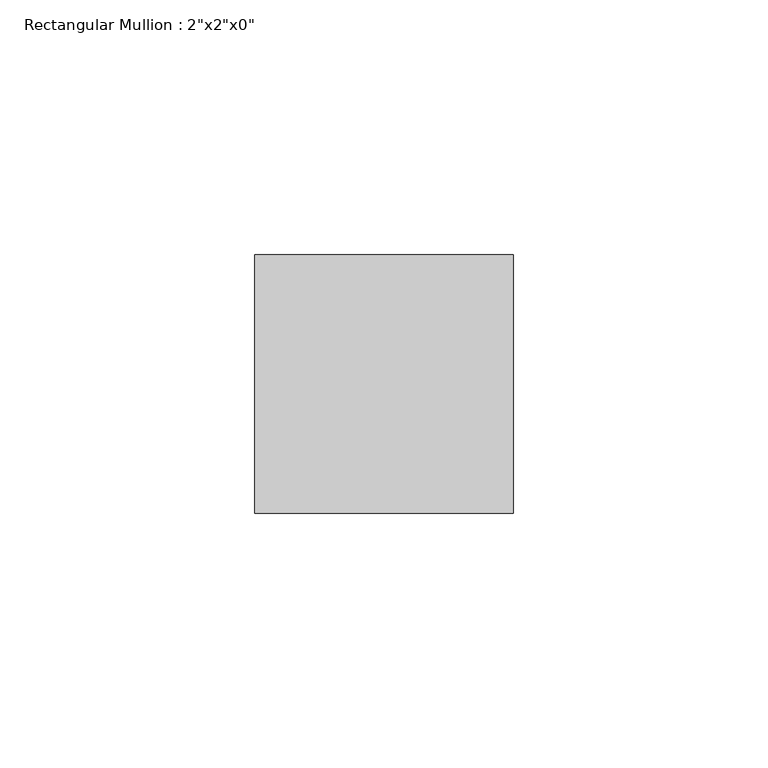
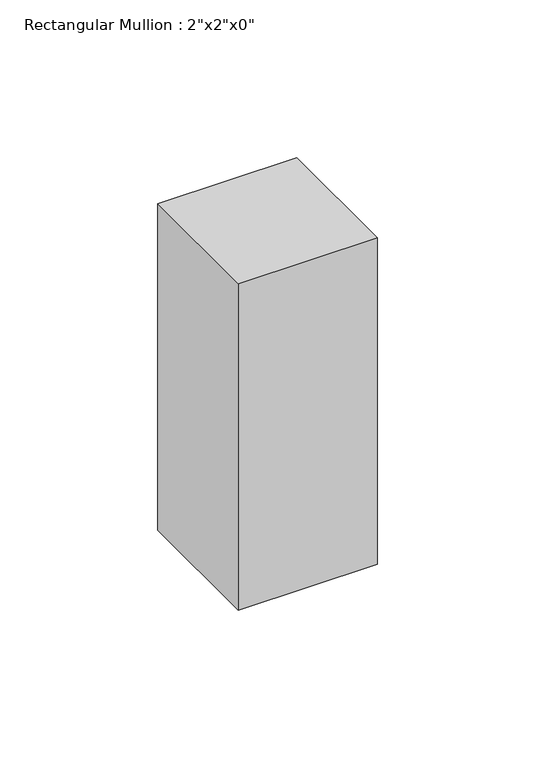
"""IFC4 building model written with IfcOpenShell, lengths in millimetres: member geometry."""

from ifc_helpers import new_model, si_unit, frame, origin, place, context, project, spatial, polyline, outline, extrude, source, transform, mapped, element, save


def member_91169b78(model_context):
    return source(origin(), model_context, "Body", "SweptSolid", [
        extrude(outline(polyline([(0.0, 25.4), (0.0, -25.4), (-50.8, -25.4), (-50.8, 25.4), (0.0, 25.4)])), frame((0.0, 0.0, -126.2495598), z_axis=(0.0, 0.0, 1.0), x_axis=(1.0, 0.0, 0.0)), (0.0, 0.0, 1.0), 126.2495598),
    ])


if __name__ == "__main__":
    model = new_model("IFC4")
    model_context = context("Model", 3, world=origin())
    ifc_project = project(units=[si_unit("LENGTHUNIT", "METRE", prefix="MILLI")], contexts=[model_context])
    site = spatial("IfcSite", under=ifc_project)
    building = spatial("IfcBuilding", under=site)
    placement = place(None, origin())
    member_shape = member_91169b78(model_context)
    element("IfcMember", 1, ObjectType="Rectangular Mullion : 2\"x2\"x0\"", at=placement, inside=building, context=model_context, shape_type="MappedRepresentation", body=[
        mapped(member_shape, transform((0.0, 0.0, 0.0), x_axis=(1.0, 0.0, 0.0), y_axis=(0.0, 1.0, 0.0), z_axis=(0.0, 0.0, 1.0))),
    ])
    save(model, "model.ifc")
